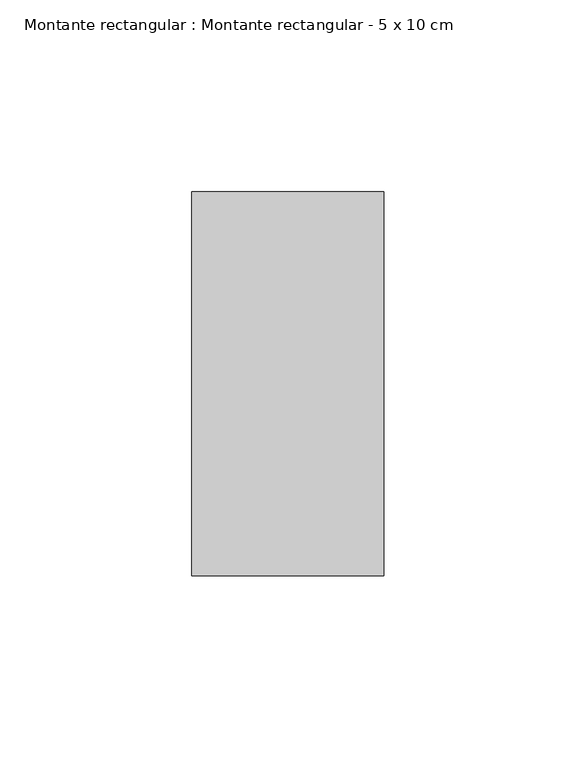
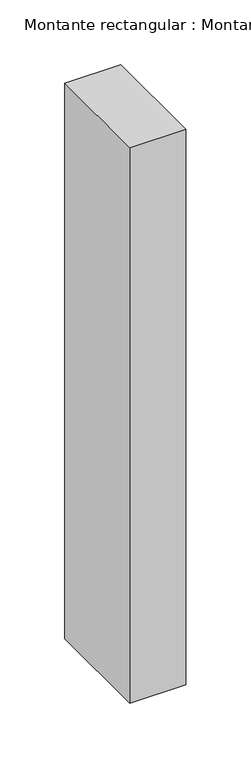
"""IFC4 building model written with IfcOpenShell, lengths in millimetres: member geometry, Montante rectangular : Montante rectangular - 5 x 10 cm."""

from ifc_helpers import new_model, si_unit, frame, origin, place, context, project, spatial, polyline, outline, extrude, source, transform, mapped, element, save


def montante_rectangular_montante_rectangular_5_x_10_cm_7c5c03f1(model_context):
    return source(origin(), model_context, "Body", "SweptSolid", [
        extrude(outline(polyline([(0.0, 50.0), (0.0, -50.0), (-50.0, -50.0), (-50.0, 50.0), (0.0, 50.0)])), frame((0.0, 0.0, -523.0), z_axis=(0.0, 0.0, 1.0), x_axis=(1.0, 0.0, 0.0)), (0.0, 0.0, 1.0), 523.0),
    ])


if __name__ == "__main__":
    model = new_model("IFC4")
    model_context = context("Model", 3, world=origin())
    ifc_project = project(units=[si_unit("LENGTHUNIT", "METRE", prefix="MILLI")], contexts=[model_context])
    site = spatial("IfcSite", under=ifc_project)
    building = spatial("IfcBuilding", under=site)
    placement = place(None, origin())
    montante_rectangular_montante_rectangular_5_x_10_cm_shape = montante_rectangular_montante_rectangular_5_x_10_cm_7c5c03f1(model_context)
    element("IfcMember", 1, ObjectType="Montante rectangular : Montante rectangular - 5 x 10 cm", at=placement, inside=building, context=model_context, shape_type="MappedRepresentation", body=[
        mapped(montante_rectangular_montante_rectangular_5_x_10_cm_shape, transform((0.0, 0.0, 0.0), x_axis=(1.0, 0.0, 0.0), y_axis=(0.0, 1.0, 0.0), z_axis=(0.0, 0.0, 1.0))),
    ])
    save(model, "model.ifc")
